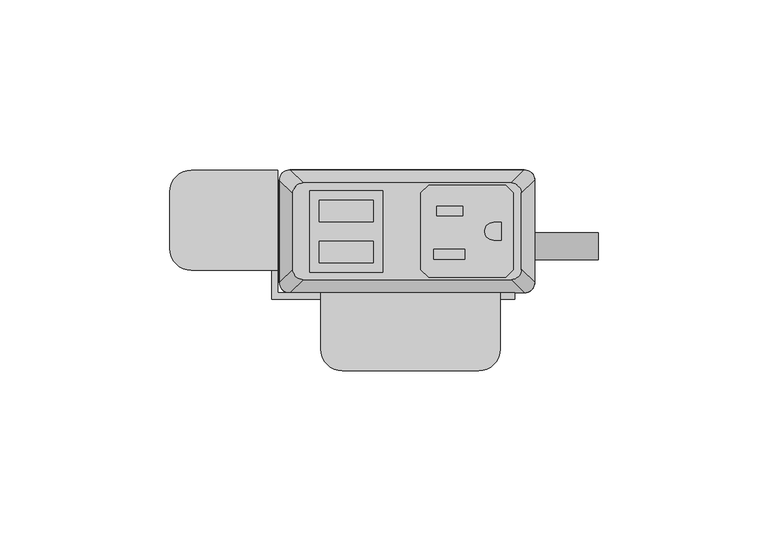
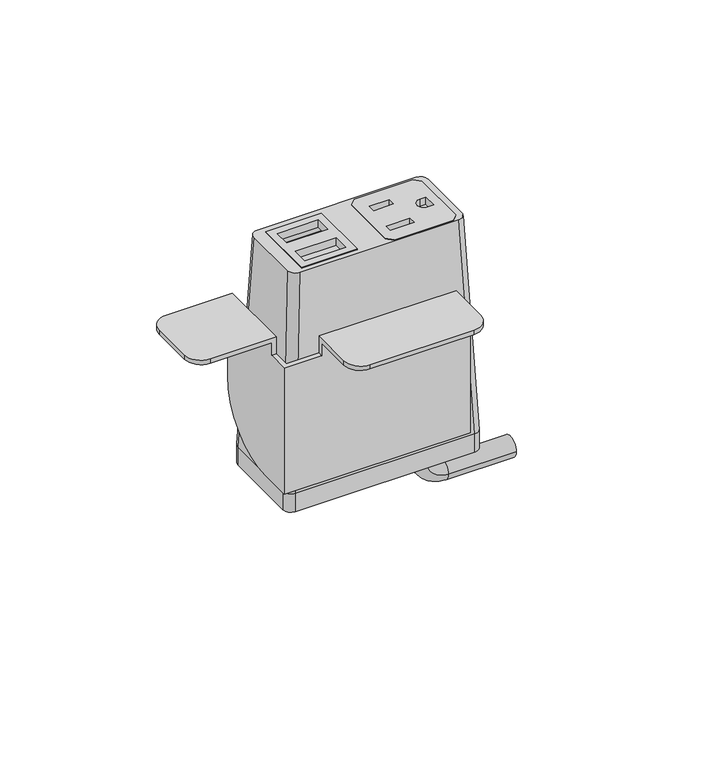
"""IFC4 building model written with IfcOpenShell, lengths in millimetres: furniture geometry."""

from ifc_helpers import new_model, si_unit, point, frame, frame_2d, origin, place, context, project, spatial, polyline, circle_curve, ellipse_curve, trimmed, segment, composite_curve, outline, extrude, source, transform, mapped, element, save
from ifc_brep_helpers import plane_surface, cylinder_surface, revolved_surface, extruded_surface, advanced_brep


def furniture_044d4e68(model_context):
    return source(origin(), model_context, "Body", "SolidModel", [
        extrude(outline(polyline([(28.9877496, 31.6867491), (31.2737497, 29.400774), (31.2737497, 6.7950272), (28.9877496, 4.5090526), (6.3817502, 4.5090526), (4.0957501, 6.7950272), (4.0957501, 29.400774), (6.3817502, 31.6867491), (28.9877496, 31.6867491)]), holes=[polyline([(16.3893498, 25.5262103), (8.71855, 25.5262103), (8.71855, 22.6814439), (16.3893498, 22.6814439), (16.3893498, 25.5262103)]), polyline([(17.0497496, 12.7755533), (7.8041498, 12.7755533), (7.8041498, 9.9307858), (17.0497496, 9.9307858), (17.0497496, 12.7755533)]), composite_curve([segment(polyline([(27.7177508, 20.7140722), (25.4427305, 20.7140722)]), True, "CONTINUOUS"), segment(trimmed(circle_curve(frame_2d((25.4427305, 18.0979012)), 2.616171), [point((25.4427305, 20.7140722))], [point((25.4427305, 15.4817301))], True, "CARTESIAN"), True, "CONTINUOUS"), segment(polyline([(25.4427305, 15.4817301), (27.7177508, 15.4817301), (27.7177508, 20.7140722)]), True, "CONTINUOUS")], self_intersect=False)]), frame((0.0, 0.0, 759.0747365), z_axis=(0.0, 0.0, 1.0), x_axis=(1.0, 0.0, 0.0)), (0.0, 0.0, 1.0), 2.9555086),
        extrude(outline(polyline([(-28.6985163, 30.0736276), (-7.143469, 30.0736276), (-7.143469, 6.0162042), (-28.6985163, 6.0162042), (-28.6985163, 30.0736276)]), holes=[polyline([(-9.9834931, 27.2024139), (-25.8584916, 27.2025547), (-25.8584916, 20.8524858), (-9.9834931, 20.8524858), (-9.9834931, 27.2024139)]), polyline([(-9.9834931, 15.1725012), (-25.8584916, 15.1726408), (-25.8584916, 8.8225725), (-9.9834931, 8.8225725), (-9.9834931, 15.1725012)])]), frame((0.0, 0.0, 759.0747365), z_axis=(0.0, 0.0, 1.0), x_axis=(1.0, 0.0, 0.0)), (0.0, 0.0, 1.0), 2.9555086),
        advanced_brep(
        [(-30.6070003, 32.3219007, 762.0170623), (-33.6549997, 29.2739013, 762.0170623), (-33.6549997, 6.9219002, 762.0170623), (-30.6070003, 3.8739008, 762.0170623), (30.6070003, 3.8739008, 762.0170623), (33.6549997, 6.9219002, 762.0170623), (33.6549997, 29.2739013, 762.0170623), (30.6070003, 32.3219007, 762.0170623), (-7.143469, 30.0736276, 762.0170623), (-7.143469, 6.0162042, 762.0170623), (-28.6985163, 6.0162042, 762.0170623), (-28.6985163, 30.0736276, 762.0170623), (4.0957501, 29.400774, 762.0170623), (6.3817502, 31.6867491, 762.0170623), (28.9877496, 31.6867491, 762.0170623), (31.2737497, 29.400774, 762.0170623), (31.2737497, 6.7950272, 762.0170623), (28.9877496, 4.5090526, 762.0170623), (6.3817502, 4.5090526, 762.0170623), (4.0957501, 6.7950272, 762.0170623), (-34.5440011, 36.1954015, 675.6702434), (34.5440011, 36.1954015, 675.6702434), (37.5920005, 33.1474021, 675.6702434), (37.5920005, 3.0484002, 675.6702434), (34.5440011, 0.0004009, 675.6702434), (-34.5440011, 0.0004009, 675.6702434), (-37.5920005, 3.0484002, 675.6702434), (-37.5920005, 33.1474021, 675.6702434), (-7.143469, 30.0736276, 754.8751211), (-28.6985163, 30.0736276, 754.8751211), (-28.6985163, 6.0162042, 754.8751211), (-7.143469, 6.0162042, 754.8751211), (4.0957501, 29.400774, 754.8751211), (4.0957501, 6.7950272, 754.8751211), (6.3817502, 4.5090526, 754.8751211), (28.9877496, 4.5090526, 754.8751211), (31.2737497, 6.7950272, 754.8751211), (31.2737497, 29.400774, 754.8751211), (28.9877496, 31.6867491, 754.8751211), (6.3817502, 31.6867491, 754.8751211)],
        [
            (0, 1, circle_curve(frame((-30.6070003, 29.2739013, 762.0170623), z_axis=(0.0, 0.0, 1.0), x_axis=(-1.0, 0.0, 0.0)), 3.0479994)),
            (1, 2),
            (2, 3, circle_curve(frame((-30.6070003, 6.9219002, 762.0170623), z_axis=(0.0, 0.0, 1.0), x_axis=(-1.0, 0.0, 0.0)), 3.0479994)),
            (3, 4),
            (4, 5, circle_curve(frame((30.6070003, 6.9219002, 762.0170623), z_axis=(0.0, 0.0, 1.0), x_axis=(-1.0, 0.0, 0.0)), 3.0479994)),
            (5, 6),
            (6, 7, circle_curve(frame((30.6070003, 29.2739013, 762.0170623), z_axis=(0.0, 0.0, 1.0), x_axis=(-1.0, 0.0, 0.0)), 3.0479994)),
            (7, 0),
            (8, 9),
            (9, 10),
            (10, 11),
            (11, 8),
            (12, 13),
            (13, 14),
            (14, 15),
            (15, 16),
            (16, 17),
            (17, 18),
            (18, 19),
            (19, 12),
            (20, 21),
            (21, 22, circle_curve(frame((34.5440011, 33.1474021, 675.6702434), z_axis=(0.0, 0.0, -1.0), x_axis=(-1.0, 0.0, 0.0)), 3.0479994)),
            (22, 23),
            (23, 24, circle_curve(frame((34.5440011, 3.0484002, 675.6702434), z_axis=(0.0, 0.0, -1.0), x_axis=(-1.0, 0.0, 0.0)), 3.0479994)),
            (24, 25),
            (25, 26, circle_curve(frame((-34.5440011, 3.0484002, 675.6702434), z_axis=(0.0, 0.0, -1.0), x_axis=(-1.0, 0.0, 0.0)), 3.0479994)),
            (26, 27),
            (27, 20, circle_curve(frame((-34.5440011, 33.1474021, 675.6702434), z_axis=(0.0, 0.0, -1.0), x_axis=(-1.0, 0.0, 0.0)), 3.0479994)),
            (0, 20),
            (27, 1),
            (26, 2),
            (25, 3),
            (24, 4),
            (23, 5),
            (22, 6),
            (21, 7),
            (28, 29),
            (29, 30),
            (30, 31),
            (31, 28),
            (32, 33),
            (33, 34),
            (34, 35),
            (35, 36),
            (36, 37),
            (37, 38),
            (38, 39),
            (39, 32),
            (31, 9),
            (8, 28),
            (30, 10),
            (29, 11),
            (39, 13),
            (12, 32),
            (38, 14),
            (37, 15),
            (36, 16),
            (35, 17),
            (34, 18),
            (33, 19),
        ],
        [
            plane_surface(frame((0.0, 18.0979007, 762.0170623), z_axis=(0.0, 0.0, 1.0), x_axis=(-1.0, 0.0, 0.0))),
            plane_surface(frame((0.0, 18.0979012, 675.6702434), z_axis=(0.0, 0.0, -1.0), x_axis=(-1.0, 0.0, 0.0))),
            extruded_surface(trimmed(circle_curve(frame((-34.5440011, 33.1474021, 675.6702434), z_axis=(0.0, 0.0, 1.0), x_axis=(-1.0, 0.0, 0.0)), 3.0479994), [point((-34.5440011, 36.1954015, 675.6702434))], [point((-37.5920005, 33.1474021, 675.6702434))], True, "CARTESIAN"), (3.9370008000000034, -3.873500800000002, 86.34681890000002), 86.52327500676452),
            plane_surface(frame((-37.5920005, 18.0979012, 675.6702434), z_axis=(-0.9989621566211194, 0.0, 0.04554788292425982), x_axis=(0.0, -1.0, 0.0))),
            extruded_surface(trimmed(circle_curve(frame((-34.5440011, 3.0484002, 675.6702434), z_axis=(0.0, 0.0, 1.0), x_axis=(-1.0, 0.0, 0.0)), 3.0479994), [point((-37.5920005, 3.0484002, 675.6702434))], [point((-34.5440011, 0.0004009, 675.6702434))], True, "CARTESIAN"), (3.9370008000000034, 3.8734999999999995, 86.34681890000002), 86.52327497094987),
            plane_surface(frame((0.0, 0.0004009, 675.6702434), z_axis=(0.0, -0.9989953158490498, 0.044814717578687276), x_axis=(1.0, 0.0, 0.0))),
            extruded_surface(trimmed(circle_curve(frame((34.5440011, 3.0484002, 675.6702434), z_axis=(0.0, 0.0, 1.0), x_axis=(-1.0, 0.0, 0.0)), 3.0479994), [point((34.5440011, 0.0004009, 675.6702434))], [point((37.5920005, 3.0484002, 675.6702434))], True, "CARTESIAN"), (-3.9370008000000034, 3.8734999999999995, 86.34681890000002), 86.52327497094987),
            plane_surface(frame((37.5920005, 18.0979012, 675.6702434), z_axis=(0.9989621566211194, 0.0, 0.04554788292425977), x_axis=(0.0, 1.0, 0.0))),
            extruded_surface(trimmed(circle_curve(frame((34.5440011, 33.1474021, 675.6702434), z_axis=(0.0, 0.0, 1.0), x_axis=(-1.0, 0.0, 0.0)), 3.0479994), [point((37.5920005, 33.1474021, 675.6702434))], [point((34.5440011, 36.1954015, 675.6702434))], True, "CARTESIAN"), (-3.9370008000000034, -3.873500800000002, 86.34681890000002), 86.52327500676452),
            plane_surface(frame((0.0, 36.1954015, 675.6702434), z_axis=(0.0, 0.9989953153818162, 0.04481472799410512), x_axis=(-1.0, 0.0, 0.0))),
            plane_surface(frame((-7.143469, 30.0736276, 754.8751211), z_axis=(0.0, 0.0, 1.0), x_axis=(0.0, -1.0, 0.0))),
            plane_surface(frame((-7.143469, 30.0736276, 754.8751211), z_axis=(-1.0, 0.0, 0.0), x_axis=(0.0, 0.0, 1.0))),
            plane_surface(frame((-7.143469, 6.0162042, 754.8751211), z_axis=(0.0, 1.0, 0.0), x_axis=(0.0, 0.0, 1.0))),
            plane_surface(frame((-28.6985163, 6.0162042, 754.8751211), z_axis=(1.0, 0.0, 0.0), x_axis=(0.0, 0.0, 1.0))),
            plane_surface(frame((-28.6985163, 30.0736276, 754.8751211), z_axis=(0.0, -1.0, 0.0), x_axis=(0.0, 0.0, 1.0))),
            plane_surface(frame((4.0957501, 29.400774, 754.8751211), z_axis=(0.7071029176939239, -0.707110644658062, 0.0), x_axis=(0.0, 0.0, 1.0))),
            plane_surface(frame((6.3817502, 31.6867491, 754.8751211), z_axis=(0.0, -1.0, 0.0), x_axis=(0.0, 0.0, 1.0))),
            plane_surface(frame((28.9877496, 31.6867491, 754.8751211), z_axis=(-0.7071029176939239, -0.707110644658062, 0.0), x_axis=(0.0, 0.0, 1.0))),
            plane_surface(frame((31.2737497, 29.400774, 754.8751211), z_axis=(-1.0, 0.0, 0.0), x_axis=(0.0, 0.0, 1.0))),
            plane_surface(frame((31.2737497, 6.7950272, 754.8751211), z_axis=(-0.7071028298865373, 0.7071107324644781, 0.0), x_axis=(0.0, 0.0, 1.0))),
            plane_surface(frame((28.9877496, 4.5090526, 754.8751211), z_axis=(0.0, 1.0, 0.0), x_axis=(0.0, 0.0, 1.0))),
            plane_surface(frame((6.3817502, 4.5090526, 754.8751211), z_axis=(0.7071028298865373, 0.7071107324644781, 0.0), x_axis=(0.0, 0.0, 1.0))),
            plane_surface(frame((4.0957501, 6.7950272, 754.8751211), z_axis=(1.0, 0.0, 0.0), x_axis=(0.0, 0.0, 1.0))),
        ],
        [
            (0, [[1, 2, 3, 4, 5, 6, 7, 8], [9, 10, 11, 12], [13, 14, 15, 16, 17, 18, 19, 20]]),
            (1, [[21, 22, 23, 24, 25, 26, 27, 28]]),
            (2, [[-1, 29, -28, 30]]),
            (3, [[-2, -30, -27, 31]]),
            (4, [[-3, -31, -26, 32]]),
            (5, [[-4, -32, -25, 33]]),
            (6, [[-5, -33, -24, 34]]),
            (7, [[-6, -34, -23, 35]]),
            (8, [[-7, -35, -22, 36]]),
            (9, [[-8, -36, -21, -29]]),
            (10, [[37, 38, 39, 40]]),
            (10, [[41, 42, 43, 44, 45, 46, 47, 48]]),
            (11, [[-40, 49, -9, 50]]),
            (12, [[-39, 51, -10, -49]]),
            (13, [[-38, 52, -11, -51]]),
            (14, [[-37, -50, -12, -52]]),
            (15, [[-48, 53, -13, 54]]),
            (16, [[-47, 55, -14, -53]]),
            (17, [[-46, 56, -15, -55]]),
            (18, [[-45, 57, -16, -56]]),
            (19, [[-44, 58, -17, -57]]),
            (20, [[-43, 59, -18, -58]]),
            (21, [[-42, 60, -19, -59]]),
            (22, [[-41, -54, -20, -60]]),
        ],
    ),
        advanced_brep(
        [(21.5715504, 17.7128311, 668.1960348), (21.5715504, 9.7137856, 668.1960348), (21.5715504, 17.7128311, 663.3662821), (21.5715504, 9.7137856, 663.3662821), (30.0384415, 9.7137856, 654.899391), (30.0384415, 17.7128311, 654.899391), (56.2588798, 17.7128311, 654.899391), (56.2588798, 9.7137856, 654.899391)],
        [
            (0, 1, circle_curve(frame((21.5715504, 13.7133083, 668.1960348), z_axis=(0.0, 0.0, 1.0), x_axis=(0.0, -1.0, 0.0)), 3.9995228)),
            (1, 0, circle_curve(frame((21.5715504, 13.7133083, 668.1960348), z_axis=(0.0, 0.0, 1.0), x_axis=(0.0, -1.0, 0.0)), 3.9995228)),
            (0, 2),
            (2, 3, circle_curve(frame((21.5715504, 13.7133083, 663.3662821), z_axis=(0.0, 0.0, 1.0), x_axis=(0.0, -1.0, 0.0)), 3.9995228)),
            (3, 1),
            (3, 2, circle_curve(frame((21.5715504, 13.7133083, 663.3662821), z_axis=(0.0, 0.0, 1.0), x_axis=(0.0, -1.0, 0.0)), 3.9995228)),
            (4, 3, circle_curve(frame((30.0384415, 9.7137856, 663.3662821), z_axis=(0.0, 1.0, 0.0), x_axis=(-1.0, 0.0, 0.0)), 8.4668911)),
            (2, 5, circle_curve(frame((30.0384415, 17.7128311, 663.3662821), z_axis=(0.0, -1.0, 0.0), x_axis=(-1.0, 0.0, 0.0)), 8.4668911)),
            (5, 4, circle_curve(frame((30.0384415, 13.7133083, 654.899391), z_axis=(-1.0, 0.0, 0.0), x_axis=(0.0, -1.0, 0.0)), 3.9995228)),
            (4, 5, circle_curve(frame((30.0384415, 13.7133083, 654.899391), z_axis=(-1.0, 0.0, 0.0), x_axis=(0.0, -1.0, 0.0)), 3.9995228)),
            (6, 7, circle_curve(frame((56.2588798, 13.7133083, 654.899391), z_axis=(1.0, 0.0, 0.0), x_axis=(0.0, -1.0, 0.0)), 3.9995228)),
            (7, 6, circle_curve(frame((56.2588798, 13.7133083, 654.899391), z_axis=(1.0, 0.0, 0.0), x_axis=(0.0, -1.0, 0.0)), 3.9995228)),
            (5, 6),
            (7, 4),
        ],
        [
            plane_surface(frame((21.5715504, 0.0, 668.1960348), z_axis=(0.0, 0.0, 1.0), x_axis=(0.0, -1.0, 0.0))),
            cylinder_surface(frame((21.5715504, 13.7133083, 668.1960348), z_axis=(0.0, 0.0, 1.0), x_axis=(0.0, -1.0, 0.0)), 3.9995228),
            revolved_surface(trimmed(ellipse_curve(frame((21.5715504, 13.7133083, 663.3662821), z_axis=(0.0, 0.0, 1.0), x_axis=(0.0, -1.0, 0.0)), 3.9995228, 3.9995228), [point((21.5715504, 17.7128311, 663.3662821))], [point((21.5715504, 9.7137856, 663.3662821))], True, "CARTESIAN"), (30.0384415, 0.0, 663.3662821), (0.0, -1.0, 0.0)),
            revolved_surface(trimmed(ellipse_curve(frame((21.5715504, 13.7133083, 663.3662821), z_axis=(0.0, 0.0, 1.0), x_axis=(0.0, -1.0, 0.0)), 3.9995228, 3.9995228), [point((21.5715504, 9.7137856, 663.3662821))], [point((21.5715504, 17.7128311, 663.3662821))], True, "CARTESIAN"), (30.0384415, 0.0, 663.3662821), (0.0, -1.0, 0.0)),
            plane_surface(frame((56.2588798, 0.0, 654.899391), z_axis=(1.0, 0.0, 0.0), x_axis=(0.0, -1.0, 0.0))),
            cylinder_surface(frame((30.0384415, 13.7133083, 654.899391), z_axis=(-1.0, 0.0, 0.0), x_axis=(0.0, -1.0, 0.0)), 3.9995228),
        ],
        [
            (0, [[1, 2]]),
            (1, [[-1, 3, 4, 5]]),
            (1, [[-2, -5, 6, -3]]),
            (2, [[7, -4, 8, 9]]),
            (3, [[-8, -6, -7, 10]]),
            (4, [[11, 12]]),
            (5, [[-9, 13, -12, 14]]),
            (5, [[-10, -14, -11, -13]]),
        ],
    ),
        extrude(outline(composite_curve([segment(trimmed(circle_curve(frame_2d((34.5440011, 33.1474021)), 3.0479994), [point((34.5440011, 36.1954015))], [point((37.5920005, 33.1474021))], False, "CARTESIAN"), True, "CONTINUOUS"), segment(polyline([(37.5920005, 33.1474021), (37.5920005, 3.0484002)]), True, "CONTINUOUS"), segment(trimmed(circle_curve(frame_2d((34.5440011, 3.0484002)), 3.0479994), [point((37.5920005, 3.0484002))], [point((34.5440011, 0.0004009))], False, "CARTESIAN"), True, "CONTINUOUS"), segment(polyline([(34.5440011, 0.0004009), (-34.5440011, 0.0004009)]), True, "CONTINUOUS"), segment(trimmed(circle_curve(frame_2d((-34.5440011, 3.0484002)), 3.0479994), [point((-34.5440011, 0.0004009))], [point((-37.5920005, 3.0484002))], False, "CARTESIAN"), True, "CONTINUOUS"), segment(polyline([(-37.5920005, 3.0484002), (-37.5920005, 33.1474021)]), True, "CONTINUOUS"), segment(trimmed(circle_curve(frame_2d((-34.5440011, 33.1474021)), 3.0479994), [point((-37.5920005, 33.1474021))], [point((-34.5440011, 36.1954015))], False, "CARTESIAN"), True, "CONTINUOUS"), segment(polyline([(-34.5440011, 36.1954015), (34.5440011, 36.1954015)]), True, "CONTINUOUS")], self_intersect=False)), frame((0.0, 0.0, 668.1960348), z_axis=(0.0, 0.0, 1.0), x_axis=(1.0, 0.0, 0.0)), (0.0, 0.0, 1.0), 7.4742086),
        advanced_brep(
        [(-63.4998651, 6.6265515, 734.822), (-69.8498653, 12.9765517, 734.822), (-69.8498653, 29.7151512, 734.822), (-63.4998645, 36.0651519, 734.822), (-39.877862, 36.0651519, 734.822), (-39.877862, 6.6265515, 734.822), (27.4321373, -16.6144474, 734.822), (21.0821366, -22.9644481, 734.822), (-19.0498626, -22.9644481, 734.822), (-25.3998622, -16.6144485, 734.822), (-25.3998622, -1.9078486, 734.822), (27.4321373, -1.9078486, 734.822), (-63.4998645, 36.0651519, 736.6), (-69.8498653, 29.7151512, 736.6), (-69.8498653, 12.9765517, 736.6), (-63.4998651, 6.6265515, 736.6), (-38.0998637, 6.6265515, 736.6), (-38.0998637, 36.0651519, 736.6), (-25.3998622, 0.0, 736.6), (-25.3998622, -16.6144485, 736.6), (-19.0498626, -22.9644481, 736.6), (21.0821366, -22.9644481, 736.6), (27.4321373, -16.6144474, 736.6), (27.4321373, 0.0, 736.6), (-38.0998637, 36.0651519, 703.5799997), (-39.877862, 36.0651519, 703.5799997), (-39.877862, 6.6265515, 729.7419997), (-38.0998637, 6.6265515, 729.7419997), (-38.0998637, 0.0, 729.7419997), (-38.0998637, 0.0, 678.1800012), (-38.0998637, 10.6651534, 678.1800012), (27.4321373, -1.9078486, 729.7419997), (27.4321373, 0.0, 729.7419997), (31.7501378, 0.0, 729.7419997), (31.7501378, 0.0, 678.1800012), (-25.3998622, 0.0, 729.7419997), (-25.3998622, -1.9078486, 729.7419997), (-39.877862, 10.6651534, 678.1800012), (-39.877862, -1.9078486, 678.1800012), (-39.877862, -1.9078486, 729.7419997), (31.7501378, -1.9078486, 678.1800012), (31.7501378, -1.9078486, 729.7419997)],
        [
            (0, 1, circle_curve(frame((-63.4998651, 12.9765517, 734.822), z_axis=(0.0, 0.0, -1.0), x_axis=(-1.0, 0.0, 0.0)), 6.3500002)),
            (1, 2),
            (2, 3, circle_curve(frame((-63.4998645, 29.7151512, 734.822), z_axis=(0.0, 0.0, -1.0), x_axis=(-1.0, 0.0, 0.0)), 6.3500008)),
            (3, 4),
            (4, 5),
            (5, 0),
            (6, 7, circle_curve(frame((21.0821366, -16.6144474, 734.822), z_axis=(0.0, 0.0, -1.0), x_axis=(-1.0, 0.0, 0.0)), 6.3500008)),
            (7, 8),
            (8, 9, circle_curve(frame((-19.0498626, -16.6144485, 734.822), z_axis=(0.0, 0.0, -1.0), x_axis=(-1.0, 0.0, 0.0)), 6.3499996)),
            (9, 10),
            (10, 11),
            (11, 6),
            (12, 13, circle_curve(frame((-63.4998645, 29.7151512, 736.6), z_axis=(0.0, 0.0, 1.0), x_axis=(-1.0, 0.0, 0.0)), 6.3500008)),
            (13, 14),
            (14, 15, circle_curve(frame((-63.4998651, 12.9765517, 736.6), z_axis=(0.0, 0.0, 1.0), x_axis=(-1.0, 0.0, 0.0)), 6.3500002)),
            (15, 16),
            (16, 17),
            (17, 12),
            (18, 19),
            (19, 20, circle_curve(frame((-19.0498626, -16.6144485, 736.6), z_axis=(0.0, 0.0, 1.0), x_axis=(-1.0, 0.0, 0.0)), 6.3499996)),
            (20, 21),
            (21, 22, circle_curve(frame((21.0821366, -16.6144474, 736.6), z_axis=(0.0, 0.0, 1.0), x_axis=(-1.0, 0.0, 0.0)), 6.3500008)),
            (22, 23),
            (23, 18),
            (3, 12),
            (17, 24),
            (24, 25),
            (25, 4),
            (2, 13),
            (1, 14),
            (0, 15),
            (5, 26),
            (26, 27),
            (27, 16),
            (27, 28),
            (28, 29),
            (29, 30),
            (30, 24, circle_curve(frame((-38.0998637, 10.6651534, 703.5799997), z_axis=(1.0, 0.0, 0.0), x_axis=(0.0, -1.0, 0.0)), 25.3999985)),
            (8, 20),
            (19, 9),
            (7, 21),
            (6, 22),
            (11, 31),
            (31, 32),
            (32, 23),
            (32, 33),
            (33, 34),
            (34, 29),
            (28, 35),
            (35, 18),
            (35, 36),
            (36, 10),
            (25, 37, circle_curve(frame((-39.877862, 10.6651534, 703.5799997), z_axis=(-1.0, 0.0, 0.0), x_axis=(0.0, -1.0, 0.0)), 25.3999985)),
            (37, 38),
            (38, 39),
            (39, 26),
            (30, 37),
            (34, 40),
            (40, 38),
            (40, 41),
            (41, 31),
            (36, 39),
            (41, 33),
        ],
        [
            plane_surface(frame((-63.4998645, 36.0651519, 734.822), z_axis=(0.0, 0.0, -1.0), x_axis=(1.0, 0.0, 0.0))),
            plane_surface(frame((-63.4998645, 36.0651519, 736.6), z_axis=(0.0, 0.0, 1.0), x_axis=(-1.0, 0.0, 0.0))),
            plane_surface(frame((-38.0998637, 36.0651519, 736.6), z_axis=(0.0, 1.0, 0.0), x_axis=(0.0, 0.0, -1.0))),
            cylinder_surface(frame((-63.4998645, 29.7151512, 734.822), z_axis=(0.0, 0.0, 1.0), x_axis=(-1.0, 0.0, 0.0)), 6.3500008),
            plane_surface(frame((-69.8498653, 29.7151512, 736.6), z_axis=(-1.0, 0.0, 0.0), x_axis=(0.0, 0.0, -1.0))),
            cylinder_surface(frame((-63.4998651, 12.9765517, 734.822), z_axis=(0.0, 0.0, 1.0), x_axis=(-1.0, 0.0, 0.0)), 6.3500002),
            plane_surface(frame((-63.4998651, 6.6265515, 736.6), z_axis=(0.0, -1.0, 0.0), x_axis=(0.0, 0.0, -1.0))),
            plane_surface(frame((-38.0998637, 6.6265515, 736.6), z_axis=(1.0, 0.0, 0.0), x_axis=(0.0, 0.0, -1.0))),
            cylinder_surface(frame((-19.0498626, -16.6144485, 736.6), z_axis=(0.0, 0.0, 1.0), x_axis=(-1.0, 0.0, 0.0)), 6.3499996),
            plane_surface(frame((-19.0498626, -22.9644481, 736.6), z_axis=(0.0, -1.0, 0.0), x_axis=(0.0, 0.0, -1.0))),
            cylinder_surface(frame((21.0821366, -16.6144474, 736.6), z_axis=(0.0, 0.0, 1.0), x_axis=(-1.0, 0.0, 0.0)), 6.3500008),
            plane_surface(frame((27.4321373, -16.6144474, 736.6), z_axis=(1.0, 0.0, 0.0), x_axis=(0.0, 0.0, -1.0))),
            plane_surface(frame((27.4321373, 0.0, 736.6), z_axis=(0.0, 1.0, 0.0), x_axis=(0.0, 0.0, -1.0))),
            plane_surface(frame((-25.3998622, 0.0, 736.6), z_axis=(-1.0, 0.0, 0.0), x_axis=(0.0, 0.0, -1.0))),
            plane_surface(frame((-39.877862, 36.0651519, 703.5799997), z_axis=(-1.0, 0.0, 0.0), x_axis=(0.0, 0.0, -1.0))),
            cylinder_surface(frame((-38.0998637, 10.6651534, 703.5799997), z_axis=(-1.0, 0.0, 0.0), x_axis=(0.0, -1.0, 0.0)), 25.3999985),
            plane_surface(frame((-39.877862, 10.6651534, 678.1800012), z_axis=(0.0, 0.0, -1.0), x_axis=(1.0, 0.0, 0.0))),
            plane_surface(frame((-39.877862, -1.9078486, 678.1800012), z_axis=(0.0, -1.0, 0.0), x_axis=(1.0, 0.0, 0.0))),
            plane_surface(frame((-39.877862, -1.9078486, 729.7419997), z_axis=(0.0, 0.0, 1.0), x_axis=(1.0, 0.0, 0.0))),
            plane_surface(frame((31.7501378, -1.9078486, 729.7419997), z_axis=(0.0, 0.0, 1.0), x_axis=(0.0, 1.0, 0.0))),
            plane_surface(frame((31.7501378, -1.9078486, 678.1800012), z_axis=(1.0, 0.0, 0.0), x_axis=(0.0, 1.0, 0.0))),
        ],
        [
            (0, [[1, 2, 3, 4, 5, 6]]),
            (0, [[7, 8, 9, 10, 11, 12]]),
            (1, [[13, 14, 15, 16, 17, 18]]),
            (1, [[19, 20, 21, 22, 23, 24]]),
            (2, [[25, -18, 26, 27, 28, -4]]),
            (3, [[-3, 29, -13, -25]]),
            (4, [[-2, 30, -14, -29]]),
            (5, [[-1, 31, -15, -30]]),
            (6, [[-31, -6, 32, 33, 34, -16]]),
            (7, [[-17, -34, 35, 36, 37, 38, -26]]),
            (8, [[-9, 39, -20, 40]]),
            (9, [[-8, 41, -21, -39]]),
            (10, [[-7, 42, -22, -41]]),
            (11, [[-42, -12, 43, 44, 45, -23]]),
            (12, [[-24, -45, 46, 47, 48, -36, 49, 50]]),
            (13, [[-40, -19, -50, 51, 52, -10]]),
            (14, [[53, 54, 55, 56, -32, -5, -28]]),
            (15, [[-53, -27, -38, 57]]),
            (16, [[-57, -37, -48, 58, 59, -54]]),
            (17, [[-55, -59, 60, 61, -43, -11, -52, 62]]),
            (18, [[-62, -51, -49, -35, -33, -56]]),
            (19, [[-61, 63, -46, -44]]),
            (20, [[-60, -58, -47, -63]]),
        ],
    ),
    ])


if __name__ == "__main__":
    model = new_model("IFC4")
    model_context = context("Model", 3, world=origin())
    ifc_project = project(units=[si_unit("LENGTHUNIT", "METRE", prefix="MILLI")], contexts=[model_context])
    site = spatial("IfcSite", under=ifc_project)
    building = spatial("IfcBuilding", under=site)
    placement = place(None, origin())
    furniture_shape = furniture_044d4e68(model_context)
    element("IfcFurniture", 1, at=placement, inside=building, context=model_context, shape_type="MappedRepresentation", body=[
        mapped(furniture_shape, transform((0.0, 0.0, 0.0), x_axis=(1.0, 0.0, 0.0), y_axis=(0.0, 1.0, 0.0), z_axis=(0.0, 0.0, 1.0))),
    ])
    save(model, "model.ifc")
